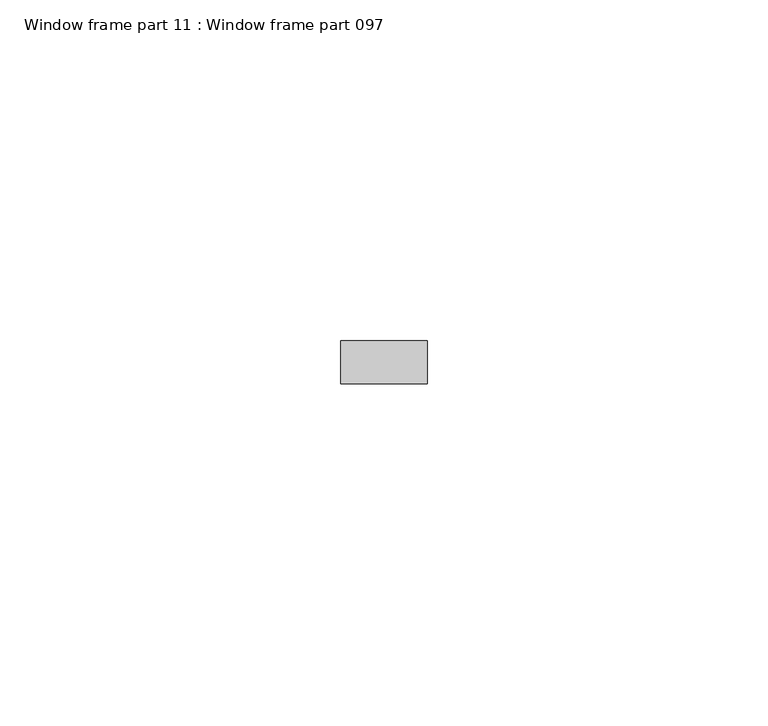
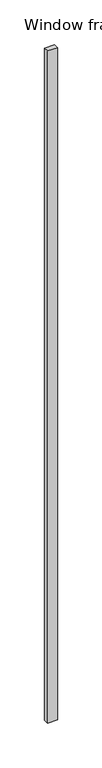
"""IFC4 building model written with IfcOpenShell, lengths in millimetres: proxy geometry, Window frame part 11 : Window frame part 097."""

import ifcopenshell
import ifcopenshell.guid

model = None  # the IFC model being written
_history = None  # IfcOwnerHistory: only IFC2X3 demands one
_inside = {}  # id of a spatial element -> (the spatial element, [elements in it])
_under = {}  # id of a project, library or spatial element -> (it, [spatial elements below it])
_declared = {}  # id of a project -> (the project, [libraries it declares])
_typed = {}  # id of a type object -> (the type object, [elements of that type])
_made_of = {}  # id of a material, layer set ... -> (it, [elements and type objects made of it])


def new_model(schema):
    """Start an empty IFC model of exactly this schema.

    Asked for "IFC4X3", IfcOpenShell would pick the latest addendum, in which some entities
    have other attributes; the version numbers below select the first issue.
    IFC2X3 requires an IfcOwnerHistory on every rooted entity: one is made here for all.
    """
    global model, _history
    if schema == "IFC4X3":
        model = ifcopenshell.file(schema_version=(4, 3, 0, 0))
    else:
        model = ifcopenshell.file(schema=schema)
    _inside.clear()
    _under.clear()
    _declared.clear()
    _typed.clear()
    _made_of.clear()
    _history = None
    if model.schema == "IFC2X3":
        org = make("IfcOrganization", Name="unknown")
        user = make(
            "IfcPersonAndOrganization",
            ThePerson=make("IfcPerson", FamilyName="unknown"),
            TheOrganization=org,
        )
        app = make(
            "IfcApplication",
            ApplicationDeveloper=org,
            Version="unknown",
            ApplicationFullName="unknown",
            ApplicationIdentifier="unknown",
        )
        _history = make(
            "IfcOwnerHistory",
            OwningUser=user,
            OwningApplication=app,
            ChangeAction="ADDED",
            CreationDate=0,
        )
    return model


def make(cls, **values):
    """One entity of the class cls with the attributes given. An attribute that is None is left unset."""
    return model.create_entity(
        cls, **{name: value for name, value in values.items() if value is not None}
    )


def rooted(cls, **values):
    """An entity with a GlobalId (a new one), such as an element, a storey or a relation."""
    return make(cls, GlobalId=ifcopenshell.guid.new(), OwnerHistory=_history, **values)


def si_unit(unit_type, name, prefix=None):
    """IfcSIUnit, for example si_unit("LENGTHUNIT", "METRE", prefix="MILLI")."""
    return make("IfcSIUnit", UnitType=unit_type, Prefix=prefix, Name=name)


def assignment(units):
    """IfcUnitAssignment: the units of a project."""
    return None if units is None else make("IfcUnitAssignment", Units=units)


def point(xyz):
    """IfcCartesianPoint."""
    return None if xyz is None else make("IfcCartesianPoint", Coordinates=xyz)


def direction(xyz):
    """IfcDirection."""
    return None if xyz is None else make("IfcDirection", DirectionRatios=xyz)


def frame(location, z_axis=None, x_axis=None):
    """IfcAxis2Placement3D, a coordinate frame: its origin and axes. An axis left out is left unset."""
    return make(
        "IfcAxis2Placement3D",
        Location=point(location),
        Axis=direction(z_axis),
        RefDirection=direction(x_axis),
    )


def origin():
    """The frame at (0, 0, 0) with its axes left unset."""
    return frame((0.0, 0.0, 0.0))


def place(relative_to, where):
    """IfcLocalPlacement: puts the frame where relative to a parent placement (None: the world)."""
    return make(
        "IfcLocalPlacement", PlacementRelTo=relative_to, RelativePlacement=where
    )


def context(
    kind, dimensions, precision=None, world=None, true_north=None, identifier=None
):
    """IfcGeometricRepresentationContext, for example the 3D "Model" context."""
    return make(
        "IfcGeometricRepresentationContext",
        ContextIdentifier=identifier,
        ContextType=kind,
        CoordinateSpaceDimension=dimensions,
        Precision=precision,
        WorldCoordinateSystem=world,
        TrueNorth=true_north,
    )


def project(units=None, contexts=None):
    """IfcProject with its units and contexts."""
    return rooted(
        "IfcProject",
        Name="project",
        RepresentationContexts=contexts,
        UnitsInContext=assignment(units),
    )


def spatial(cls, under=None, at=None, **own):
    """A site, building, storey or space (cls), placed at a placement, below another one or the project."""
    s = rooted(cls, ObjectPlacement=at, **own)
    if under is not None:
        _under.setdefault(under.id(), (under, []))[1].append(s)
    return s


def polyline(points):
    """IfcPolyline through the points."""
    return make("IfcPolyline", Points=[point(p) for p in points])


def outline(outer, holes=None, kind="AREA"):
    """IfcArbitraryClosedProfileDef: a profile drawn as a closed curve; with holes, ...WithVoids."""
    if holes is None:
        return make("IfcArbitraryClosedProfileDef", ProfileType=kind, OuterCurve=outer)
    return make(
        "IfcArbitraryProfileDefWithVoids",
        ProfileType=kind,
        OuterCurve=outer,
        InnerCurves=holes,
    )


def extrude(swept, where, along, depth):
    """IfcExtrudedAreaSolid: the profile swept, set in the frame where, extruded along a direction by depth."""
    return make(
        "IfcExtrudedAreaSolid",
        SweptArea=swept,
        Position=where,
        ExtrudedDirection=direction(along),
        Depth=depth,
    )


def shape(context_of_items, identifier, shape_type, items):
    """IfcShapeRepresentation: the items that make up one representation, for example the "Body"."""
    return make(
        "IfcShapeRepresentation",
        ContextOfItems=context_of_items,
        RepresentationIdentifier=identifier,
        RepresentationType=shape_type,
        Items=items,
    )


def source(mapping_origin, context_of_items, identifier, shape_type, items):
    """IfcRepresentationMap: a shape defined once, which mapped items show again and again."""
    return make(
        "IfcRepresentationMap",
        MappingOrigin=mapping_origin,
        MappedRepresentation=shape(context_of_items, identifier, shape_type, items),
    )


def transform(
    local_origin,
    x_axis=None,
    y_axis=None,
    z_axis=None,
    scale=None,
    scale2=None,
    scale3=None,
    uniform=True,
):
    """IfcCartesianTransformationOperator3D, or its non-uniform kind. x_axis, y_axis, z_axis: its Axis1, 2, 3."""
    if uniform:
        return make(
            "IfcCartesianTransformationOperator3D",
            Axis1=direction(x_axis),
            Axis2=direction(y_axis),
            LocalOrigin=point(local_origin),
            Scale=scale,
            Axis3=direction(z_axis),
        )
    return make(
        "IfcCartesianTransformationOperator3DnonUniform",
        Axis1=direction(x_axis),
        Axis2=direction(y_axis),
        LocalOrigin=point(local_origin),
        Scale=scale,
        Axis3=direction(z_axis),
        Scale2=scale2,
        Scale3=scale3,
    )


def mapped(mapping_source, mapping_target):
    """IfcMappedItem: shows the shape of a source again, moved by a transform."""
    return make(
        "IfcMappedItem", MappingSource=mapping_source, MappingTarget=mapping_target
    )


def made_of(thing, what):
    """Note that an element or type object is made of a material, layer set ...; save() writes the relation."""
    if what is not None:
        _made_of.setdefault(what.id(), (what, []))[1].append(thing)
    return thing


def element(
    cls,
    number,
    at=None,
    inside=None,
    cuts=None,
    type_object=None,
    material=None,
    context=None,
    identifier="Body",
    shape_type=None,
    held_by="IfcProductDefinitionShape",
    body=None,
    shapes=None,
    **own,
):
    """One element of the class cls, such as IfcWall. Its Tag is "e" and its number.

    at: its placement. inside: the storey or other place that contains it. cuts: it is an
    opening in that element (IfcRelVoidsElement). A single representation is given by context,
    identifier, shape_type and body (its items); several are given by shapes. held_by: the class
    of the entity that holds the representations. save() writes the other relations.
    """
    e = rooted(cls, Tag="e%d" % number, ObjectPlacement=at, **own)
    if body is not None:
        shapes = [shape(context, identifier, shape_type, body)]
    if shapes is not None:
        e.Representation = make(held_by, Representations=shapes)
    if inside is not None:
        _inside.setdefault(inside.id(), (inside, []))[1].append(e)
    if cuts is not None:
        rooted(
            "IfcRelVoidsElement", RelatingBuildingElement=cuts, RelatedOpeningElement=e
        )
    if type_object is not None:
        _typed.setdefault(type_object.id(), (type_object, []))[1].append(e)
    return made_of(e, material)


def aggregate(whole, parts):
    """IfcRelAggregates: a whole, such as a stair, and the parts it consists of."""
    return rooted("IfcRelAggregates", RelatingObject=whole, RelatedObjects=parts)


def save(model, path):
    """Write the relations noted so far, then the file.

    IfcRelAggregates (storeys below a building ...), IfcRelContainedInSpatialStructure (elements
    in a storey), IfcRelDefinesByType, IfcRelAssociatesMaterial and IfcRelDeclares: one each for
    every whole, place, type object, material and project.
    """
    for whole, parts in _under.values():
        aggregate(whole, parts)
    for where, things in _inside.values():
        rooted(
            "IfcRelContainedInSpatialStructure",
            RelatedElements=things,
            RelatingStructure=where,
        )
    for kind, things in _typed.values():
        rooted("IfcRelDefinesByType", RelatedObjects=things, RelatingType=kind)
    for what, things in _made_of.values():
        rooted("IfcRelAssociatesMaterial", RelatedObjects=things, RelatingMaterial=what)
    for by, libraries in _declared.values():
        rooted("IfcRelDeclares", RelatingContext=by, RelatedDefinitions=libraries)
    model.write(path)


def window_frame_part_11_window_frame_part_097_dfffa483(model_context):
    return source(origin(), model_context, "Body", "SweptSolid", [
        extrude(outline(polyline([(37592.9902244, -20657.0394301), (37605.6902244, -20657.0394301), (37605.6902244, -20663.3894301), (37592.9902244, -20663.3894301), (37592.9902244, -20657.0394301)])), frame((0.0, 0.0, 910.5119968), z_axis=(0.0, 0.0, 1.0), x_axis=(1.0, 0.0, 0.0)), (0.0, 0.0, 1.0), 914.4),
    ])


if __name__ == "__main__":
    model = new_model("IFC4")
    model_context = context("Model", 3, world=origin())
    ifc_project = project(units=[si_unit("LENGTHUNIT", "METRE", prefix="MILLI")], contexts=[model_context])
    site = spatial("IfcSite", under=ifc_project)
    building = spatial("IfcBuilding", under=site)
    placement = place(None, origin())
    window_frame_part_11_window_frame_part_097_shape = window_frame_part_11_window_frame_part_097_dfffa483(model_context)
    element("IfcBuildingElementProxy", 1, Name="Window frame part 11 : Window frame part 097", ObjectType="Window frame part 11 : Window frame part 097", at=placement, inside=building, context=model_context, shape_type="MappedRepresentation", body=[
        mapped(window_frame_part_11_window_frame_part_097_shape, transform((0.0, 0.0, 0.0), x_axis=(1.0, 0.0, 0.0), y_axis=(0.0, 1.0, 0.0), z_axis=(0.0, 0.0, 1.0))),
    ])
    save(model, "model.ifc")
